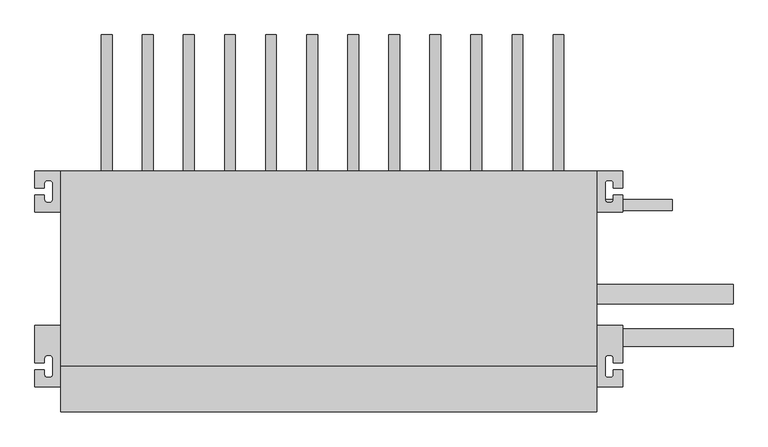
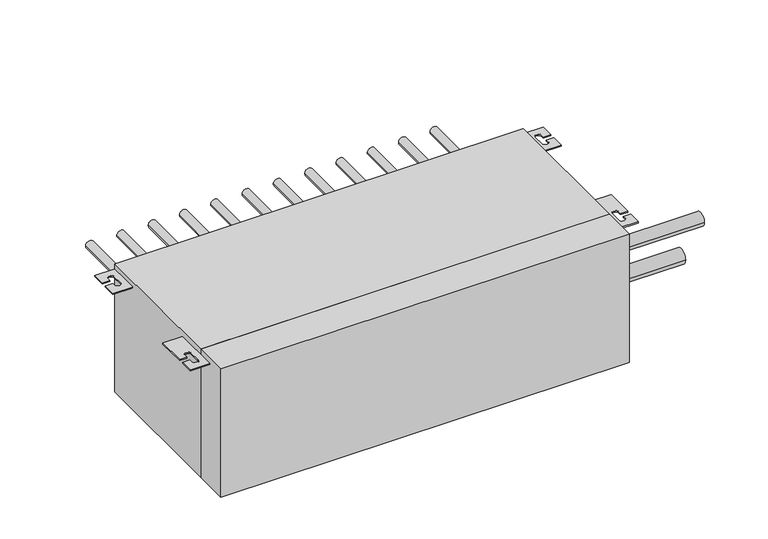
"""IFC4 building model written with IfcOpenShell, lengths in millimetres: proxy geometry."""

from ifc_helpers import new_model, si_unit, point, frame, frame_2d, origin, origin_with_axes, place, context, project, spatial, polyline, circle_curve, trimmed, segment, composite_curve, outline, extrude, source, transform, mapped, element, save


def mechanical_equipment_3e5c1a96(model_context):
    return source(origin(), model_context, "Body", "SweptSolid", [
        extrude(outline(polyline([(783.0, 67.0), (0.0, 67.0), (0.0, 352.0), (783.0, 352.0), (783.0, 67.0)])), origin_with_axes(), (0.0, 0.0, 1.0), 260.0),
        extrude(outline(composite_curve([segment(polyline([(0.0, 352.0), (0.0, 292.0), (-38.0, 292.0), (-38.0, 317.0), (-24.0, 317.0), (-24.0, 310.0)]), True, "CONTINUOUS"), segment(trimmed(circle_curve(frame_2d((-20.0, 310.0)), 4.0), [point((-24.0, 310.0))], [point((-20.0, 306.0))], True, "CARTESIAN"), True, "CONTINUOUS"), segment(polyline([(-20.0, 306.0), (-16.0, 306.0)]), True, "CONTINUOUS"), segment(trimmed(circle_curve(frame_2d((-16.0, 310.0)), 4.0), [point((-16.0, 306.0))], [point((-12.0, 310.0))], True, "CARTESIAN"), True, "CONTINUOUS"), segment(polyline([(-12.0, 310.0), (-12.0, 334.0)]), True, "CONTINUOUS"), segment(trimmed(circle_curve(frame_2d((-16.0, 334.0)), 4.0), [point((-12.0, 334.0))], [point((-16.0, 338.0))], True, "CARTESIAN"), True, "CONTINUOUS"), segment(polyline([(-16.0, 338.0), (-20.0, 338.0)]), True, "CONTINUOUS"), segment(trimmed(circle_curve(frame_2d((-20.0, 334.0)), 4.0), [point((-20.0, 338.0))], [point((-24.0, 334.0))], True, "CARTESIAN"), True, "CONTINUOUS"), segment(polyline([(-24.0, 334.0), (-24.0, 327.0), (-38.0, 327.0), (-38.0, 352.0), (0.0, 352.0)]), True, "CONTINUOUS")], self_intersect=False)), frame((0.0, 0.0, 247.5), z_axis=(0.0, 0.0, 1.0), x_axis=(1.0, 0.0, 0.0)), (0.0, 0.0, 1.0), 2.5),
        extrude(outline(composite_curve([segment(polyline([(783.0, 352.0), (821.0, 352.0), (821.0, 327.0), (807.0, 327.0), (807.0, 334.0)]), True, "CONTINUOUS"), segment(trimmed(circle_curve(frame_2d((803.0, 334.0)), 4.0), [point((807.0, 334.0))], [point((803.0, 338.0))], True, "CARTESIAN"), True, "CONTINUOUS"), segment(polyline([(803.0, 338.0), (799.0, 338.0)]), True, "CONTINUOUS"), segment(trimmed(circle_curve(frame_2d((799.0, 334.0)), 4.0), [point((799.0, 338.0))], [point((795.0, 334.0))], True, "CARTESIAN"), True, "CONTINUOUS"), segment(polyline([(795.0, 334.0), (795.0, 310.0)]), True, "CONTINUOUS"), segment(trimmed(circle_curve(frame_2d((799.0, 310.0)), 4.0), [point((795.0, 310.0))], [point((799.0, 306.0))], True, "CARTESIAN"), True, "CONTINUOUS"), segment(polyline([(799.0, 306.0), (803.0, 306.0)]), True, "CONTINUOUS"), segment(trimmed(circle_curve(frame_2d((803.0, 310.0)), 4.0), [point((803.0, 306.0))], [point((807.0, 310.0))], True, "CARTESIAN"), True, "CONTINUOUS"), segment(polyline([(807.0, 310.0), (807.0, 317.0), (821.0, 317.0), (821.0, 292.0), (783.0, 292.0), (783.0, 352.0)]), True, "CONTINUOUS")], self_intersect=False)), frame((0.0, 0.0, 247.5), z_axis=(0.0, 0.0, 1.0), x_axis=(1.0, 0.0, 0.0)), (0.0, 0.0, 1.0), 2.5),
        extrude(outline(composite_curve([segment(polyline([(0.0, 36.0), (-38.0, 36.0), (-38.0, 61.0), (-24.0, 61.0), (-24.0, 54.0)]), True, "CONTINUOUS"), segment(trimmed(circle_curve(frame_2d((-20.0, 54.0)), 4.0), [point((-24.0, 54.0))], [point((-20.0, 50.0))], True, "CARTESIAN"), True, "CONTINUOUS"), segment(polyline([(-20.0, 50.0), (-16.0, 50.0)]), True, "CONTINUOUS"), segment(trimmed(circle_curve(frame_2d((-16.0, 54.0)), 4.0), [point((-16.0, 50.0))], [point((-12.0, 54.0))], True, "CARTESIAN"), True, "CONTINUOUS"), segment(polyline([(-12.0, 54.0), (-12.0, 78.0)]), True, "CONTINUOUS"), segment(trimmed(circle_curve(frame_2d((-16.0, 78.0)), 4.0), [point((-12.0, 78.0))], [point((-16.0, 82.0))], True, "CARTESIAN"), True, "CONTINUOUS"), segment(polyline([(-16.0, 82.0), (-20.0, 82.0)]), True, "CONTINUOUS"), segment(trimmed(circle_curve(frame_2d((-20.0, 78.0)), 4.0), [point((-20.0, 82.0))], [point((-24.0, 78.0))], True, "CARTESIAN"), True, "CONTINUOUS"), segment(polyline([(-24.0, 78.0), (-24.0, 71.0), (-38.0, 71.0), (-38.0, 126.0), (0.0, 126.0), (0.0, 36.0)]), True, "CONTINUOUS")], self_intersect=False)), frame((0.0, 0.0, 247.5), z_axis=(0.0, 0.0, 1.0), x_axis=(1.0, 0.0, 0.0)), (0.0, 0.0, 1.0), 2.5),
        extrude(outline(composite_curve([segment(polyline([(783.0, 36.0), (783.0, 126.0), (821.0, 126.0), (821.0, 71.0), (807.0, 71.0), (807.0, 78.0)]), True, "CONTINUOUS"), segment(trimmed(circle_curve(frame_2d((803.0, 78.0)), 4.0), [point((807.0, 78.0))], [point((803.0, 82.0))], True, "CARTESIAN"), True, "CONTINUOUS"), segment(polyline([(803.0, 82.0), (799.0, 82.0)]), True, "CONTINUOUS"), segment(trimmed(circle_curve(frame_2d((799.0, 78.0)), 4.0), [point((799.0, 82.0))], [point((795.0, 78.0))], True, "CARTESIAN"), True, "CONTINUOUS"), segment(polyline([(795.0, 78.0), (795.0, 54.0)]), True, "CONTINUOUS"), segment(trimmed(circle_curve(frame_2d((799.0, 54.0)), 4.0), [point((795.0, 54.0))], [point((799.0, 50.0))], True, "CARTESIAN"), True, "CONTINUOUS"), segment(polyline([(799.0, 50.0), (803.0, 50.0)]), True, "CONTINUOUS"), segment(trimmed(circle_curve(frame_2d((803.0, 54.0)), 4.0), [point((803.0, 50.0))], [point((807.0, 54.0))], True, "CARTESIAN"), True, "CONTINUOUS"), segment(polyline([(807.0, 54.0), (807.0, 61.0), (821.0, 61.0), (821.0, 36.0), (783.0, 36.0)]), True, "CONTINUOUS")], self_intersect=False)), frame((0.0, 0.0, 247.5), z_axis=(0.0, 0.0, 1.0), x_axis=(1.0, 0.0, 0.0)), (0.0, 0.0, 1.0), 2.5),
        extrude(outline(polyline([(0.0, 0.0), (0.0, 67.0), (783.0, 67.0), (783.0, 0.0), (0.0, 0.0)])), origin_with_axes(), (0.0, 0.0, 1.0), 260.0),
        extrude(outline(composite_curve([segment(trimmed(circle_curve(frame_2d((155.0, 67.0)), 7.94), [point((155.0, 59.06))], [point((155.0, 74.94))], False, "CARTESIAN"), True, "CONTINUOUS"), segment(trimmed(circle_curve(frame_2d((155.0, 67.0)), 7.94), [point((155.0, 74.94))], [point((155.0, 59.06))], False, "CARTESIAN"), True, "CONTINUOUS")], self_intersect=False)), frame((0.0, 352.0, 0.0), z_axis=(0.0, 1.0, 0.0), x_axis=(0.0, 0.0, 1.0)), (0.0, 0.0, 1.0), 199.0),
        extrude(outline(composite_curve([segment(trimmed(circle_curve(frame_2d((155.0, 127.0)), 7.94), [point((155.0, 119.06))], [point((155.0, 134.94))], False, "CARTESIAN"), True, "CONTINUOUS"), segment(trimmed(circle_curve(frame_2d((155.0, 127.0)), 7.94), [point((155.0, 134.94))], [point((155.0, 119.06))], False, "CARTESIAN"), True, "CONTINUOUS")], self_intersect=False)), frame((0.0, 352.0, 0.0), z_axis=(0.0, 1.0, 0.0), x_axis=(0.0, 0.0, 1.0)), (0.0, 0.0, 1.0), 199.0),
        extrude(outline(composite_curve([segment(trimmed(circle_curve(frame_2d((155.0, 187.0)), 7.94), [point((155.0, 179.06))], [point((155.0, 194.94))], False, "CARTESIAN"), True, "CONTINUOUS"), segment(trimmed(circle_curve(frame_2d((155.0, 187.0)), 7.94), [point((155.0, 194.94))], [point((155.0, 179.06))], False, "CARTESIAN"), True, "CONTINUOUS")], self_intersect=False)), frame((0.0, 352.0, 0.0), z_axis=(0.0, 1.0, 0.0), x_axis=(0.0, 0.0, 1.0)), (0.0, 0.0, 1.0), 199.0),
        extrude(outline(composite_curve([segment(trimmed(circle_curve(frame_2d((155.0, 247.0)), 7.94), [point((155.0, 239.06))], [point((155.0, 254.94))], False, "CARTESIAN"), True, "CONTINUOUS"), segment(trimmed(circle_curve(frame_2d((155.0, 247.0)), 7.94), [point((155.0, 254.94))], [point((155.0, 239.06))], False, "CARTESIAN"), True, "CONTINUOUS")], self_intersect=False)), frame((0.0, 352.0, 0.0), z_axis=(0.0, 1.0, 0.0), x_axis=(0.0, 0.0, 1.0)), (0.0, 0.0, 1.0), 199.0),
        extrude(outline(composite_curve([segment(trimmed(circle_curve(frame_2d((155.0, 307.0)), 7.94), [point((155.0, 299.06))], [point((155.0, 314.94))], False, "CARTESIAN"), True, "CONTINUOUS"), segment(trimmed(circle_curve(frame_2d((155.0, 307.0)), 7.94), [point((155.0, 314.94))], [point((155.0, 299.06))], False, "CARTESIAN"), True, "CONTINUOUS")], self_intersect=False)), frame((0.0, 352.0, 0.0), z_axis=(0.0, 1.0, 0.0), x_axis=(0.0, 0.0, 1.0)), (0.0, 0.0, 1.0), 199.0),
        extrude(outline(composite_curve([segment(trimmed(circle_curve(frame_2d((155.0, 367.0)), 7.94), [point((155.0, 359.06))], [point((155.0, 374.94))], False, "CARTESIAN"), True, "CONTINUOUS"), segment(trimmed(circle_curve(frame_2d((155.0, 367.0)), 7.94), [point((155.0, 374.94))], [point((155.0, 359.06))], False, "CARTESIAN"), True, "CONTINUOUS")], self_intersect=False)), frame((0.0, 352.0, 0.0), z_axis=(0.0, 1.0, 0.0), x_axis=(0.0, 0.0, 1.0)), (0.0, 0.0, 1.0), 199.0),
        extrude(outline(composite_curve([segment(trimmed(circle_curve(frame_2d((155.0, 427.0)), 7.94), [point((155.0, 419.06))], [point((155.0, 434.94))], False, "CARTESIAN"), True, "CONTINUOUS"), segment(trimmed(circle_curve(frame_2d((155.0, 427.0)), 7.94), [point((155.0, 434.94))], [point((155.0, 419.06))], False, "CARTESIAN"), True, "CONTINUOUS")], self_intersect=False)), frame((0.0, 352.0, 0.0), z_axis=(0.0, 1.0, 0.0), x_axis=(0.0, 0.0, 1.0)), (0.0, 0.0, 1.0), 199.0),
        extrude(outline(composite_curve([segment(trimmed(circle_curve(frame_2d((155.0, 487.0)), 7.94), [point((155.0, 479.06))], [point((155.0, 494.94))], False, "CARTESIAN"), True, "CONTINUOUS"), segment(trimmed(circle_curve(frame_2d((155.0, 487.0)), 7.94), [point((155.0, 494.94))], [point((155.0, 479.06))], False, "CARTESIAN"), True, "CONTINUOUS")], self_intersect=False)), frame((0.0, 352.0, 0.0), z_axis=(0.0, 1.0, 0.0), x_axis=(0.0, 0.0, 1.0)), (0.0, 0.0, 1.0), 199.0),
        extrude(outline(composite_curve([segment(trimmed(circle_curve(frame_2d((155.0, 547.0)), 7.94), [point((155.0, 539.06))], [point((155.0, 554.94))], False, "CARTESIAN"), True, "CONTINUOUS"), segment(trimmed(circle_curve(frame_2d((155.0, 547.0)), 7.94), [point((155.0, 554.94))], [point((155.0, 539.06))], False, "CARTESIAN"), True, "CONTINUOUS")], self_intersect=False)), frame((0.0, 352.0, 0.0), z_axis=(0.0, 1.0, 0.0), x_axis=(0.0, 0.0, 1.0)), (0.0, 0.0, 1.0), 199.0),
        extrude(outline(composite_curve([segment(trimmed(circle_curve(frame_2d((155.0, 607.0)), 7.94), [point((155.0, 599.06))], [point((155.0, 614.94))], False, "CARTESIAN"), True, "CONTINUOUS"), segment(trimmed(circle_curve(frame_2d((155.0, 607.0)), 7.94), [point((155.0, 614.94))], [point((155.0, 599.06))], False, "CARTESIAN"), True, "CONTINUOUS")], self_intersect=False)), frame((0.0, 352.0, 0.0), z_axis=(0.0, 1.0, 0.0), x_axis=(0.0, 0.0, 1.0)), (0.0, 0.0, 1.0), 199.0),
        extrude(outline(composite_curve([segment(trimmed(circle_curve(frame_2d((155.0, 667.0)), 7.94), [point((155.0, 659.06))], [point((155.0, 674.94))], False, "CARTESIAN"), True, "CONTINUOUS"), segment(trimmed(circle_curve(frame_2d((155.0, 667.0)), 7.94), [point((155.0, 674.94))], [point((155.0, 659.06))], False, "CARTESIAN"), True, "CONTINUOUS")], self_intersect=False)), frame((0.0, 352.0, 0.0), z_axis=(0.0, 1.0, 0.0), x_axis=(0.0, 0.0, 1.0)), (0.0, 0.0, 1.0), 199.0),
        extrude(outline(composite_curve([segment(trimmed(circle_curve(frame_2d((155.0, 727.0)), 7.94), [point((155.0, 719.06))], [point((155.0, 734.94))], False, "CARTESIAN"), True, "CONTINUOUS"), segment(trimmed(circle_curve(frame_2d((155.0, 727.0)), 7.94), [point((155.0, 734.94))], [point((155.0, 719.06))], False, "CARTESIAN"), True, "CONTINUOUS")], self_intersect=False)), frame((0.0, 352.0, 0.0), z_axis=(0.0, 1.0, 0.0), x_axis=(0.0, 0.0, 1.0)), (0.0, 0.0, 1.0), 199.0),
        extrude(outline(composite_curve([segment(trimmed(circle_curve(frame_2d((60.0, 67.0)), 4.76), [point((60.0, 62.24))], [point((60.0, 71.76))], False, "CARTESIAN"), True, "CONTINUOUS"), segment(trimmed(circle_curve(frame_2d((60.0, 67.0)), 4.76), [point((60.0, 71.76))], [point((60.0, 62.24))], False, "CARTESIAN"), True, "CONTINUOUS")], self_intersect=False)), frame((0.0, 352.0, 0.0), z_axis=(0.0, 1.0, 0.0), x_axis=(0.0, 0.0, 1.0)), (0.0, 0.0, 1.0), 86.0),
        extrude(outline(composite_curve([segment(trimmed(circle_curve(frame_2d((60.0, 127.0)), 4.76), [point((60.0, 122.24))], [point((60.0, 131.76))], False, "CARTESIAN"), True, "CONTINUOUS"), segment(trimmed(circle_curve(frame_2d((60.0, 127.0)), 4.76), [point((60.0, 131.76))], [point((60.0, 122.24))], False, "CARTESIAN"), True, "CONTINUOUS")], self_intersect=False)), frame((0.0, 352.0, 0.0), z_axis=(0.0, 1.0, 0.0), x_axis=(0.0, 0.0, 1.0)), (0.0, 0.0, 1.0), 86.0),
        extrude(outline(composite_curve([segment(trimmed(circle_curve(frame_2d((60.0, 187.0)), 4.76), [point((60.0, 182.24))], [point((60.0, 191.76))], False, "CARTESIAN"), True, "CONTINUOUS"), segment(trimmed(circle_curve(frame_2d((60.0, 187.0)), 4.76), [point((60.0, 191.76))], [point((60.0, 182.24))], False, "CARTESIAN"), True, "CONTINUOUS")], self_intersect=False)), frame((0.0, 352.0, 0.0), z_axis=(0.0, 1.0, 0.0), x_axis=(0.0, 0.0, 1.0)), (0.0, 0.0, 1.0), 86.0),
        extrude(outline(composite_curve([segment(trimmed(circle_curve(frame_2d((60.0, 247.0)), 4.76), [point((60.0, 242.24))], [point((60.0, 251.76))], False, "CARTESIAN"), True, "CONTINUOUS"), segment(trimmed(circle_curve(frame_2d((60.0, 247.0)), 4.76), [point((60.0, 251.76))], [point((60.0, 242.24))], False, "CARTESIAN"), True, "CONTINUOUS")], self_intersect=False)), frame((0.0, 352.0, 0.0), z_axis=(0.0, 1.0, 0.0), x_axis=(0.0, 0.0, 1.0)), (0.0, 0.0, 1.0), 86.0),
        extrude(outline(composite_curve([segment(trimmed(circle_curve(frame_2d((60.0, 307.0)), 4.76), [point((60.0, 302.24))], [point((60.0, 311.76))], False, "CARTESIAN"), True, "CONTINUOUS"), segment(trimmed(circle_curve(frame_2d((60.0, 307.0)), 4.76), [point((60.0, 311.76))], [point((60.0, 302.24))], False, "CARTESIAN"), True, "CONTINUOUS")], self_intersect=False)), frame((0.0, 352.0, 0.0), z_axis=(0.0, 1.0, 0.0), x_axis=(0.0, 0.0, 1.0)), (0.0, 0.0, 1.0), 86.0),
        extrude(outline(composite_curve([segment(trimmed(circle_curve(frame_2d((60.0, 367.0)), 4.76), [point((60.0, 362.24))], [point((60.0, 371.76))], False, "CARTESIAN"), True, "CONTINUOUS"), segment(trimmed(circle_curve(frame_2d((60.0, 367.0)), 4.76), [point((60.0, 371.76))], [point((60.0, 362.24))], False, "CARTESIAN"), True, "CONTINUOUS")], self_intersect=False)), frame((0.0, 352.0, 0.0), z_axis=(0.0, 1.0, 0.0), x_axis=(0.0, 0.0, 1.0)), (0.0, 0.0, 1.0), 86.0),
        extrude(outline(composite_curve([segment(trimmed(circle_curve(frame_2d((60.0, 427.0)), 4.76), [point((60.0, 422.24))], [point((60.0, 431.76))], False, "CARTESIAN"), True, "CONTINUOUS"), segment(trimmed(circle_curve(frame_2d((60.0, 427.0)), 4.76), [point((60.0, 431.76))], [point((60.0, 422.24))], False, "CARTESIAN"), True, "CONTINUOUS")], self_intersect=False)), frame((0.0, 352.0, 0.0), z_axis=(0.0, 1.0, 0.0), x_axis=(0.0, 0.0, 1.0)), (0.0, 0.0, 1.0), 86.0),
        extrude(outline(composite_curve([segment(trimmed(circle_curve(frame_2d((60.0, 487.0)), 4.76), [point((60.0, 482.24))], [point((60.0, 491.76))], False, "CARTESIAN"), True, "CONTINUOUS"), segment(trimmed(circle_curve(frame_2d((60.0, 487.0)), 4.76), [point((60.0, 491.76))], [point((60.0, 482.24))], False, "CARTESIAN"), True, "CONTINUOUS")], self_intersect=False)), frame((0.0, 352.0, 0.0), z_axis=(0.0, 1.0, 0.0), x_axis=(0.0, 0.0, 1.0)), (0.0, 0.0, 1.0), 86.0),
        extrude(outline(composite_curve([segment(trimmed(circle_curve(frame_2d((60.0, 547.0)), 4.76), [point((60.0, 542.24))], [point((60.0, 551.76))], False, "CARTESIAN"), True, "CONTINUOUS"), segment(trimmed(circle_curve(frame_2d((60.0, 547.0)), 4.76), [point((60.0, 551.76))], [point((60.0, 542.24))], False, "CARTESIAN"), True, "CONTINUOUS")], self_intersect=False)), frame((0.0, 352.0, 0.0), z_axis=(0.0, 1.0, 0.0), x_axis=(0.0, 0.0, 1.0)), (0.0, 0.0, 1.0), 86.0),
        extrude(outline(composite_curve([segment(trimmed(circle_curve(frame_2d((60.0, 607.0)), 4.76), [point((60.0, 602.24))], [point((60.0, 611.76))], False, "CARTESIAN"), True, "CONTINUOUS"), segment(trimmed(circle_curve(frame_2d((60.0, 607.0)), 4.76), [point((60.0, 611.76))], [point((60.0, 602.24))], False, "CARTESIAN"), True, "CONTINUOUS")], self_intersect=False)), frame((0.0, 352.0, 0.0), z_axis=(0.0, 1.0, 0.0), x_axis=(0.0, 0.0, 1.0)), (0.0, 0.0, 1.0), 86.0),
        extrude(outline(composite_curve([segment(trimmed(circle_curve(frame_2d((60.0, 667.0)), 4.76), [point((60.0, 662.24))], [point((60.0, 671.76))], False, "CARTESIAN"), True, "CONTINUOUS"), segment(trimmed(circle_curve(frame_2d((60.0, 667.0)), 4.76), [point((60.0, 671.76))], [point((60.0, 662.24))], False, "CARTESIAN"), True, "CONTINUOUS")], self_intersect=False)), frame((0.0, 352.0, 0.0), z_axis=(0.0, 1.0, 0.0), x_axis=(0.0, 0.0, 1.0)), (0.0, 0.0, 1.0), 86.0),
        extrude(outline(composite_curve([segment(trimmed(circle_curve(frame_2d((60.0, 727.0)), 4.76), [point((60.0, 722.24))], [point((60.0, 731.76))], False, "CARTESIAN"), True, "CONTINUOUS"), segment(trimmed(circle_curve(frame_2d((60.0, 727.0)), 4.76), [point((60.0, 731.76))], [point((60.0, 722.24))], False, "CARTESIAN"), True, "CONTINUOUS")], self_intersect=False)), frame((0.0, 352.0, 0.0), z_axis=(0.0, 1.0, 0.0), x_axis=(0.0, 0.0, 1.0)), (0.0, 0.0, 1.0), 86.0),
        extrude(outline(composite_curve([segment(trimmed(circle_curve(frame_2d((108.0, 156.0)), 12.7), [point((95.3, 156.0))], [point((120.7, 156.0))], False, "CARTESIAN"), True, "CONTINUOUS"), segment(trimmed(circle_curve(frame_2d((108.0, 156.0)), 12.7), [point((120.7, 156.0))], [point((95.3, 156.0))], False, "CARTESIAN"), True, "CONTINUOUS")], self_intersect=False)), frame((783.0, 0.0, 0.0), z_axis=(1.0, 0.0, 0.0), x_axis=(0.0, 1.0, 0.0)), (0.0, 0.0, 1.0), 199.0),
        extrude(outline(composite_curve([segment(trimmed(circle_curve(frame_2d((172.0, 42.0)), 14.285), [point((157.715, 42.0))], [point((186.285, 42.0))], False, "CARTESIAN"), True, "CONTINUOUS"), segment(trimmed(circle_curve(frame_2d((172.0, 42.0)), 14.285), [point((186.285, 42.0))], [point((157.715, 42.0))], False, "CARTESIAN"), True, "CONTINUOUS")], self_intersect=False)), frame((783.0, 0.0, 0.0), z_axis=(1.0, 0.0, 0.0), x_axis=(0.0, 1.0, 0.0)), (0.0, 0.0, 1.0), 199.0),
        extrude(outline(composite_curve([segment(trimmed(circle_curve(frame_2d((302.0, 60.0)), 7.94), [point((294.06, 60.0))], [point((309.94, 60.0))], False, "CARTESIAN"), True, "CONTINUOUS"), segment(trimmed(circle_curve(frame_2d((302.0, 60.0)), 7.94), [point((309.94, 60.0))], [point((294.06, 60.0))], False, "CARTESIAN"), True, "CONTINUOUS")], self_intersect=False)), frame((783.0, 0.0, 0.0), z_axis=(1.0, 0.0, 0.0), x_axis=(0.0, 1.0, 0.0)), (0.0, 0.0, 1.0), 110.0),
    ])


if __name__ == "__main__":
    model = new_model("IFC4")
    model_context = context("Model", 3, world=origin())
    ifc_project = project(units=[si_unit("LENGTHUNIT", "METRE", prefix="MILLI")], contexts=[model_context])
    site = spatial("IfcSite", under=ifc_project)
    building = spatial("IfcBuilding", under=site)
    placement = place(None, origin())
    mechanical_equipment_shape = mechanical_equipment_3e5c1a96(model_context)
    element("IfcBuildingElementProxy", 1, Name="Mechanical Equipment", at=placement, inside=building, context=model_context, shape_type="MappedRepresentation", body=[
        mapped(mechanical_equipment_shape, transform((0.0, 0.0, 0.0), x_axis=(1.0, 0.0, 0.0), y_axis=(0.0, 1.0, 0.0), z_axis=(0.0, 0.0, 1.0))),
    ])
    save(model, "model.ifc")
